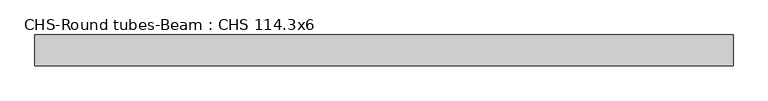
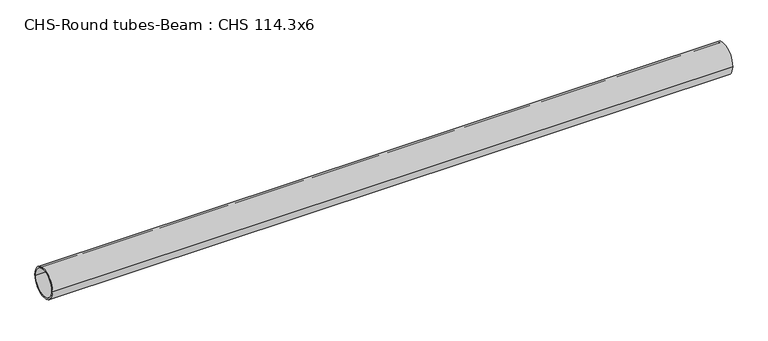
"""IFC4 building model written with IfcOpenShell, lengths in millimetres: beam geometry, CHS-Round tubes-Beam : CHS 114.3x6."""

from ifc_helpers import new_model, si_unit, point, frame, origin, origin_2d, place, context, project, spatial, circle_curve, trimmed, segment, composite_curve, outline, extrude, source, transform, mapped, element, save


def chs_round_tubes_beam_chs_114_3x6_548713b4(model_context):
    return source(origin(), model_context, "Body", "SweptSolid", [
        extrude(outline(composite_curve([segment(trimmed(circle_curve(origin_2d(), 57.15), [point((57.15, 0.0))], [point((-57.15, 0.0))], False, "CARTESIAN"), True, "CONTINUOUS"), segment(trimmed(circle_curve(origin_2d(), 57.15), [point((-57.15, 0.0))], [point((57.15, 0.0))], False, "CARTESIAN"), True, "CONTINUOUS")], self_intersect=False), holes=[composite_curve([segment(trimmed(circle_curve(origin_2d(), 51.15), [point((51.15, 0.0))], [point((-51.15, 0.0))], True, "CARTESIAN"), True, "CONTINUOUS"), segment(trimmed(circle_curve(origin_2d(), 51.15), [point((-51.15, 0.0))], [point((51.15, 0.0))], True, "CARTESIAN"), True, "CONTINUOUS")], self_intersect=False)]), frame((-1237.4379215, 0.0, 0.0), z_axis=(1.0, 0.0, 0.0), x_axis=(0.0, 1.0, 0.0)), (0.0, 0.0, 1.0), 2569.7363274),
    ])


if __name__ == "__main__":
    model = new_model("IFC4")
    model_context = context("Model", 3, world=origin())
    ifc_project = project(units=[si_unit("LENGTHUNIT", "METRE", prefix="MILLI")], contexts=[model_context])
    site = spatial("IfcSite", under=ifc_project)
    building = spatial("IfcBuilding", under=site)
    placement = place(None, origin())
    chs_round_tubes_beam_chs_114_3x6_shape = chs_round_tubes_beam_chs_114_3x6_548713b4(model_context)
    element("IfcBeam", 1, ObjectType="CHS-Round tubes-Beam : CHS 114.3x6", at=placement, inside=building, context=model_context, shape_type="MappedRepresentation", body=[
        mapped(chs_round_tubes_beam_chs_114_3x6_shape, transform((0.0, 0.0, 0.0), x_axis=(1.0, 0.0, 0.0), y_axis=(0.0, 1.0, 0.0), z_axis=(0.0, 0.0, 1.0))),
    ])
    save(model, "model.ifc")
